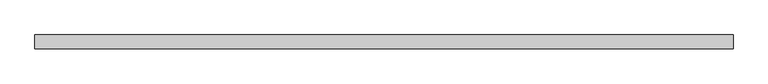
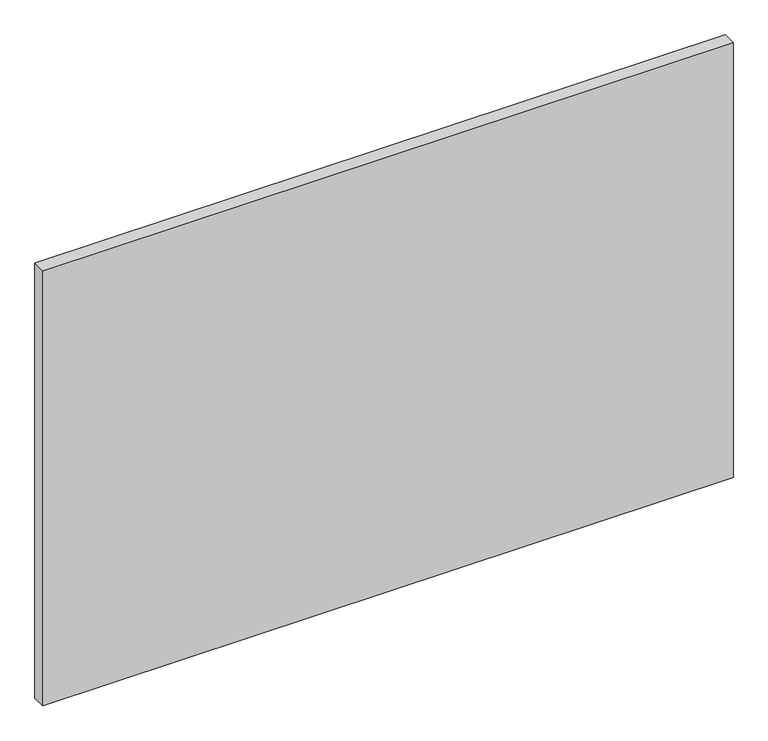
"""IFC4 building model written with IfcOpenShell, lengths in millimetres: plate geometry."""

from ifc_helpers import new_model, si_unit, origin, origin_with_axes, place, context, project, spatial, polyline, outline, extrude, source, transform, mapped, element, save


def plate_7451456c(model_context):
    return source(origin(), model_context, "Body", "SweptSolid", [
        extrude(outline(polyline([(877.8125, -17.5), (-877.8125, -17.5), (-877.8125, 17.5), (877.8125, 17.5), (877.8125, -17.5)])), origin_with_axes(), (0.0, 0.0, 1.0), 1170.0),
    ])


if __name__ == "__main__":
    model = new_model("IFC4")
    model_context = context("Model", 3, world=origin())
    ifc_project = project(units=[si_unit("LENGTHUNIT", "METRE", prefix="MILLI")], contexts=[model_context])
    site = spatial("IfcSite", under=ifc_project)
    building = spatial("IfcBuilding", under=site)
    placement = place(None, origin())
    plate_shape = plate_7451456c(model_context)
    element("IfcPlate", 1, at=placement, inside=building, context=model_context, shape_type="MappedRepresentation", body=[
        mapped(plate_shape, transform((0.0, 0.0, 0.0), x_axis=(1.0, 0.0, 0.0), y_axis=(0.0, 1.0, 0.0), z_axis=(0.0, 0.0, 1.0))),
    ])
    save(model, "model.ifc")
